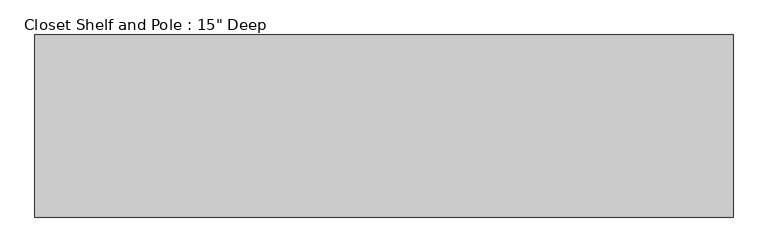
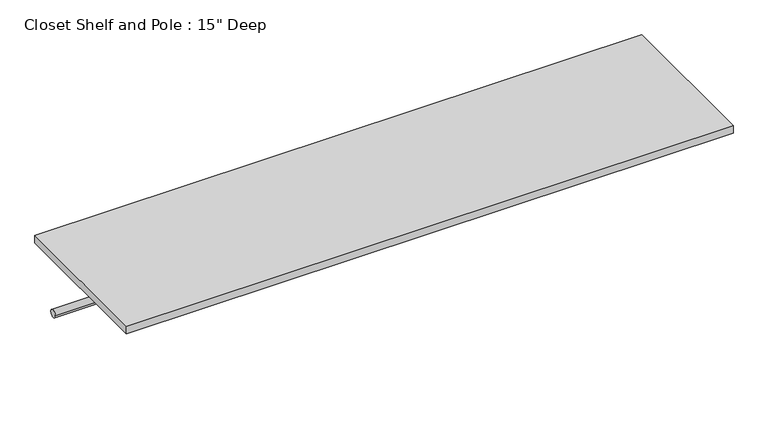
"""IFC4 building model written with IfcOpenShell, lengths in millimetres: proxy geometry."""

from ifc_helpers import new_model, si_unit, point, frame, frame_2d, origin, place, context, project, spatial, polyline, circle_curve, trimmed, segment, composite_curve, outline, extrude, source, transform, mapped, element, save


def proxy_41d982d6(model_context):
    return source(origin(), model_context, "Body", "SweptSolid", [
        extrude(outline(composite_curve([segment(trimmed(circle_curve(frame_2d((304.8, 1676.4)), 9.525), [point((314.325, 1676.4))], [point((295.275, 1676.4))], False, "CARTESIAN"), True, "CONTINUOUS"), segment(trimmed(circle_curve(frame_2d((304.8, 1676.4)), 9.525), [point((295.275, 1676.4))], [point((314.325, 1676.4))], False, "CARTESIAN"), True, "CONTINUOUS")], self_intersect=False)), frame((0.0, 0.0, 0.0), z_axis=(1.0, 0.0, 0.0), x_axis=(0.0, 1.0, 0.0)), (0.0, 0.0, 1.0), 1460.2948956),
        extrude(outline(polyline([(1460.2948956, 0.0), (0.0, 0.0), (0.0, 381.0), (1460.2948956, 381.0), (1460.2948956, 0.0)])), frame((0.0, 0.0, 1809.75), z_axis=(0.0, 0.0, 1.0), x_axis=(1.0, 0.0, 0.0)), (0.0, 0.0, 1.0), 19.05),
    ])


if __name__ == "__main__":
    model = new_model("IFC4")
    model_context = context("Model", 3, world=origin())
    ifc_project = project(units=[si_unit("LENGTHUNIT", "METRE", prefix="MILLI")], contexts=[model_context])
    site = spatial("IfcSite", under=ifc_project)
    building = spatial("IfcBuilding", under=site)
    placement = place(None, origin())
    proxy_shape = proxy_41d982d6(model_context)
    element("IfcBuildingElementProxy", 1, Name="Closet Shelf and Pole : 15\" Deep", ObjectType="Closet Shelf and Pole : 15\" Deep", at=placement, inside=building, context=model_context, shape_type="MappedRepresentation", body=[
        mapped(proxy_shape, transform((0.0, 0.0, 0.0), x_axis=(1.0, 0.0, 0.0), y_axis=(0.0, 1.0, 0.0), z_axis=(0.0, 0.0, 1.0))),
    ])
    save(model, "model.ifc")
